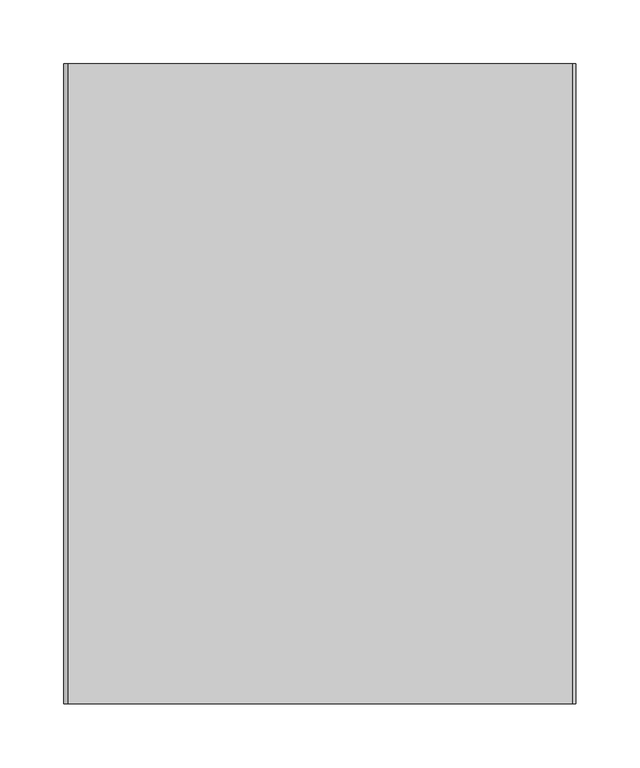
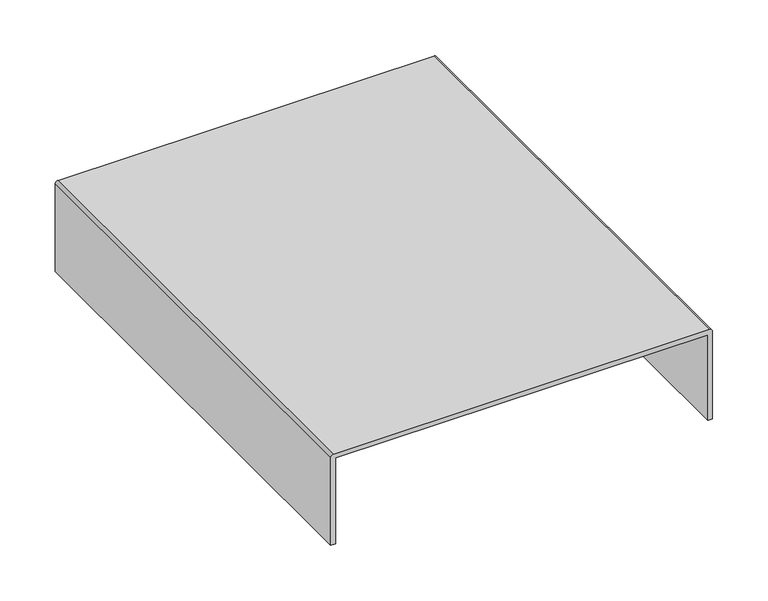
"""IFC4 building model written with IfcOpenShell, lengths in millimetres: light fixture geometry."""

import ifcopenshell
import ifcopenshell.guid

model = None  # the IFC model being written
_history = None  # IfcOwnerHistory: only IFC2X3 demands one
_inside = {}  # id of a spatial element -> (the spatial element, [elements in it])
_under = {}  # id of a project, library or spatial element -> (it, [spatial elements below it])
_declared = {}  # id of a project -> (the project, [libraries it declares])
_typed = {}  # id of a type object -> (the type object, [elements of that type])
_made_of = {}  # id of a material, layer set ... -> (it, [elements and type objects made of it])


def new_model(schema):
    """Start an empty IFC model of exactly this schema.

    Asked for "IFC4X3", IfcOpenShell would pick the latest addendum, in which some entities
    have other attributes; the version numbers below select the first issue.
    IFC2X3 requires an IfcOwnerHistory on every rooted entity: one is made here for all.
    """
    global model, _history
    if schema == "IFC4X3":
        model = ifcopenshell.file(schema_version=(4, 3, 0, 0))
    else:
        model = ifcopenshell.file(schema=schema)
    _inside.clear()
    _under.clear()
    _declared.clear()
    _typed.clear()
    _made_of.clear()
    _history = None
    if model.schema == "IFC2X3":
        org = make("IfcOrganization", Name="unknown")
        user = make(
            "IfcPersonAndOrganization",
            ThePerson=make("IfcPerson", FamilyName="unknown"),
            TheOrganization=org,
        )
        app = make(
            "IfcApplication",
            ApplicationDeveloper=org,
            Version="unknown",
            ApplicationFullName="unknown",
            ApplicationIdentifier="unknown",
        )
        _history = make(
            "IfcOwnerHistory",
            OwningUser=user,
            OwningApplication=app,
            ChangeAction="ADDED",
            CreationDate=0,
        )
    return model


def make(cls, **values):
    """One entity of the class cls with the attributes given. An attribute that is None is left unset."""
    return model.create_entity(
        cls, **{name: value for name, value in values.items() if value is not None}
    )


def rooted(cls, **values):
    """An entity with a GlobalId (a new one), such as an element, a storey or a relation."""
    return make(cls, GlobalId=ifcopenshell.guid.new(), OwnerHistory=_history, **values)


def si_unit(unit_type, name, prefix=None):
    """IfcSIUnit, for example si_unit("LENGTHUNIT", "METRE", prefix="MILLI")."""
    return make("IfcSIUnit", UnitType=unit_type, Prefix=prefix, Name=name)


def assignment(units):
    """IfcUnitAssignment: the units of a project."""
    return None if units is None else make("IfcUnitAssignment", Units=units)


def point(xyz):
    """IfcCartesianPoint."""
    return None if xyz is None else make("IfcCartesianPoint", Coordinates=xyz)


def direction(xyz):
    """IfcDirection."""
    return None if xyz is None else make("IfcDirection", DirectionRatios=xyz)


def frame(location, z_axis=None, x_axis=None):
    """IfcAxis2Placement3D, a coordinate frame: its origin and axes. An axis left out is left unset."""
    return make(
        "IfcAxis2Placement3D",
        Location=point(location),
        Axis=direction(z_axis),
        RefDirection=direction(x_axis),
    )


def frame_2d(location, x_axis=None):
    """IfcAxis2Placement2D, a coordinate frame in the plane: its origin and x axis."""
    return make(
        "IfcAxis2Placement2D", Location=point(location), RefDirection=direction(x_axis)
    )


def origin():
    """The frame at (0, 0, 0) with its axes left unset."""
    return frame((0.0, 0.0, 0.0))


def place(relative_to, where):
    """IfcLocalPlacement: puts the frame where relative to a parent placement (None: the world)."""
    return make(
        "IfcLocalPlacement", PlacementRelTo=relative_to, RelativePlacement=where
    )


def context(
    kind, dimensions, precision=None, world=None, true_north=None, identifier=None
):
    """IfcGeometricRepresentationContext, for example the 3D "Model" context."""
    return make(
        "IfcGeometricRepresentationContext",
        ContextIdentifier=identifier,
        ContextType=kind,
        CoordinateSpaceDimension=dimensions,
        Precision=precision,
        WorldCoordinateSystem=world,
        TrueNorth=true_north,
    )


def project(units=None, contexts=None):
    """IfcProject with its units and contexts."""
    return rooted(
        "IfcProject",
        Name="project",
        RepresentationContexts=contexts,
        UnitsInContext=assignment(units),
    )


def spatial(cls, under=None, at=None, **own):
    """A site, building, storey or space (cls), placed at a placement, below another one or the project."""
    s = rooted(cls, ObjectPlacement=at, **own)
    if under is not None:
        _under.setdefault(under.id(), (under, []))[1].append(s)
    return s


def polyline(points):
    """IfcPolyline through the points."""
    return make("IfcPolyline", Points=[point(p) for p in points])


def circle_curve(where, radius):
    """IfcCircle in the frame where."""
    return make("IfcCircle", Position=where, Radius=radius)


def trimmed(basis, trim1, trim2, sense, master):
    """IfcTrimmedCurve: the piece of a basis curve between two trims."""
    return make(
        "IfcTrimmedCurve",
        BasisCurve=basis,
        Trim1=trim1,
        Trim2=trim2,
        SenseAgreement=sense,
        MasterRepresentation=master,
    )


def segment(curve, same_sense, transition):
    """IfcCompositeCurveSegment."""
    return make(
        "IfcCompositeCurveSegment",
        Transition=transition,
        SameSense=same_sense,
        ParentCurve=curve,
    )


def composite_curve(segments, self_intersect=None):
    """IfcCompositeCurve: segments joined end to end."""
    return make("IfcCompositeCurve", Segments=segments, SelfIntersect=self_intersect)


def outline(outer, holes=None, kind="AREA"):
    """IfcArbitraryClosedProfileDef: a profile drawn as a closed curve; with holes, ...WithVoids."""
    if holes is None:
        return make("IfcArbitraryClosedProfileDef", ProfileType=kind, OuterCurve=outer)
    return make(
        "IfcArbitraryProfileDefWithVoids",
        ProfileType=kind,
        OuterCurve=outer,
        InnerCurves=holes,
    )


def extrude(swept, where, along, depth):
    """IfcExtrudedAreaSolid: the profile swept, set in the frame where, extruded along a direction by depth."""
    return make(
        "IfcExtrudedAreaSolid",
        SweptArea=swept,
        Position=where,
        ExtrudedDirection=direction(along),
        Depth=depth,
    )


def shape(context_of_items, identifier, shape_type, items):
    """IfcShapeRepresentation: the items that make up one representation, for example the "Body"."""
    return make(
        "IfcShapeRepresentation",
        ContextOfItems=context_of_items,
        RepresentationIdentifier=identifier,
        RepresentationType=shape_type,
        Items=items,
    )


def source(mapping_origin, context_of_items, identifier, shape_type, items):
    """IfcRepresentationMap: a shape defined once, which mapped items show again and again."""
    return make(
        "IfcRepresentationMap",
        MappingOrigin=mapping_origin,
        MappedRepresentation=shape(context_of_items, identifier, shape_type, items),
    )


def transform(
    local_origin,
    x_axis=None,
    y_axis=None,
    z_axis=None,
    scale=None,
    scale2=None,
    scale3=None,
    uniform=True,
):
    """IfcCartesianTransformationOperator3D, or its non-uniform kind. x_axis, y_axis, z_axis: its Axis1, 2, 3."""
    if uniform:
        return make(
            "IfcCartesianTransformationOperator3D",
            Axis1=direction(x_axis),
            Axis2=direction(y_axis),
            LocalOrigin=point(local_origin),
            Scale=scale,
            Axis3=direction(z_axis),
        )
    return make(
        "IfcCartesianTransformationOperator3DnonUniform",
        Axis1=direction(x_axis),
        Axis2=direction(y_axis),
        LocalOrigin=point(local_origin),
        Scale=scale,
        Axis3=direction(z_axis),
        Scale2=scale2,
        Scale3=scale3,
    )


def mapped(mapping_source, mapping_target):
    """IfcMappedItem: shows the shape of a source again, moved by a transform."""
    return make(
        "IfcMappedItem", MappingSource=mapping_source, MappingTarget=mapping_target
    )


def made_of(thing, what):
    """Note that an element or type object is made of a material, layer set ...; save() writes the relation."""
    if what is not None:
        _made_of.setdefault(what.id(), (what, []))[1].append(thing)
    return thing


def element(
    cls,
    number,
    at=None,
    inside=None,
    cuts=None,
    type_object=None,
    material=None,
    context=None,
    identifier="Body",
    shape_type=None,
    held_by="IfcProductDefinitionShape",
    body=None,
    shapes=None,
    **own,
):
    """One element of the class cls, such as IfcWall. Its Tag is "e" and its number.

    at: its placement. inside: the storey or other place that contains it. cuts: it is an
    opening in that element (IfcRelVoidsElement). A single representation is given by context,
    identifier, shape_type and body (its items); several are given by shapes. held_by: the class
    of the entity that holds the representations. save() writes the other relations.
    """
    e = rooted(cls, Tag="e%d" % number, ObjectPlacement=at, **own)
    if body is not None:
        shapes = [shape(context, identifier, shape_type, body)]
    if shapes is not None:
        e.Representation = make(held_by, Representations=shapes)
    if inside is not None:
        _inside.setdefault(inside.id(), (inside, []))[1].append(e)
    if cuts is not None:
        rooted(
            "IfcRelVoidsElement", RelatingBuildingElement=cuts, RelatedOpeningElement=e
        )
    if type_object is not None:
        _typed.setdefault(type_object.id(), (type_object, []))[1].append(e)
    return made_of(e, material)


def aggregate(whole, parts):
    """IfcRelAggregates: a whole, such as a stair, and the parts it consists of."""
    return rooted("IfcRelAggregates", RelatingObject=whole, RelatedObjects=parts)


def save(model, path):
    """Write the relations noted so far, then the file.

    IfcRelAggregates (storeys below a building ...), IfcRelContainedInSpatialStructure (elements
    in a storey), IfcRelDefinesByType, IfcRelAssociatesMaterial and IfcRelDeclares: one each for
    every whole, place, type object, material and project.
    """
    for whole, parts in _under.values():
        aggregate(whole, parts)
    for where, things in _inside.values():
        rooted(
            "IfcRelContainedInSpatialStructure",
            RelatedElements=things,
            RelatingStructure=where,
        )
    for kind, things in _typed.values():
        rooted("IfcRelDefinesByType", RelatedObjects=things, RelatingType=kind)
    for what, things in _made_of.values():
        rooted("IfcRelAssociatesMaterial", RelatedObjects=things, RelatingMaterial=what)
    for by, libraries in _declared.values():
        rooted("IfcRelDeclares", RelatingContext=by, RelatedDefinitions=libraries)
    model.write(path)


def light_fixture_24595909(model_context):
    return source(origin(), model_context, "Body", "SweptSolid", [
        extrude(outline(composite_curve([segment(polyline([(0.0, -195.0), (95.0, -195.0), (95.0, 195.0), (0.0, 195.0), (0.0, 200.0), (97.0, 200.0)]), True, "CONTINUOUS"), segment(trimmed(circle_curve(frame_2d((97.0, 197.0)), 3.0), [point((97.0, 200.0))], [point((100.0, 197.0))], False, "CARTESIAN"), True, "CONTINUOUS"), segment(polyline([(100.0, 197.0), (100.0, -197.0)]), True, "CONTINUOUS"), segment(trimmed(circle_curve(frame_2d((97.0, -197.0)), 3.0), [point((100.0, -197.0))], [point((97.0, -200.0))], False, "CARTESIAN"), True, "CONTINUOUS"), segment(polyline([(97.0, -200.0), (0.0, -200.0), (0.0, -195.0)]), True, "CONTINUOUS")], self_intersect=False)), frame((0.0, 0.0, 0.0), z_axis=(0.0, 1.0, 0.0), x_axis=(0.0, 0.0, 1.0)), (0.0, 0.0, 1.0), 500.0),
    ])


if __name__ == "__main__":
    model = new_model("IFC4")
    model_context = context("Model", 3, world=origin())
    ifc_project = project(units=[si_unit("LENGTHUNIT", "METRE", prefix="MILLI")], contexts=[model_context])
    site = spatial("IfcSite", under=ifc_project)
    building = spatial("IfcBuilding", under=site)
    placement = place(None, origin())
    light_fixture_shape = light_fixture_24595909(model_context)
    element("IfcLightFixture", 1, at=placement, inside=building, context=model_context, shape_type="MappedRepresentation", body=[
        mapped(light_fixture_shape, transform((0.0, 0.0, 0.0), x_axis=(1.0, 0.0, 0.0), y_axis=(0.0, 1.0, 0.0), z_axis=(0.0, 0.0, 1.0))),
    ])
    save(model, "model.ifc")
